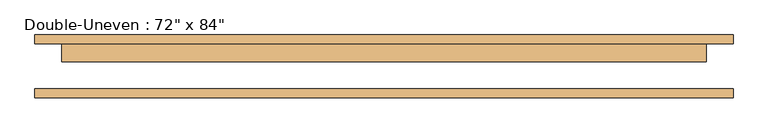
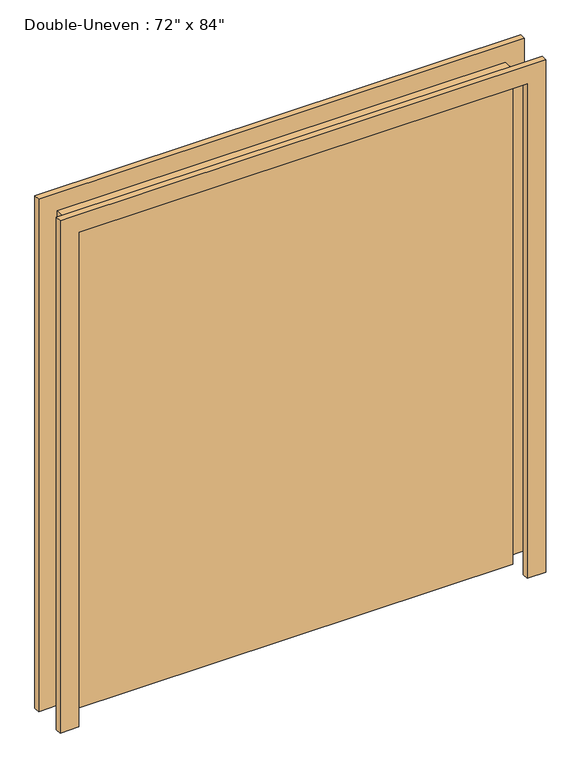
"""IFC4 building model written with IfcOpenShell, lengths in millimetres: door geometry."""

from ifc_helpers import new_model, si_unit, frame, origin, origin_with_axes, place, context, project, spatial, polyline, outline, extrude, source, transform, mapped, element, save


def door_b728dd2d(model_context):
    return source(origin(), model_context, "Body", "SweptSolid", [
        extrude(outline(polyline([(101.6, 63.5), (101.6, 12.7), (-1727.2, 12.7), (-1727.2, 63.5), (101.6, 63.5)])), origin_with_axes(), (0.0, 0.0, 1.0), 2133.6),
        extrude(outline(polyline([(2133.6, -1727.2), (2133.6, 101.6), (0.0, 101.6), (0.0, 177.8), (2209.8, 177.8), (2209.8, -1803.4), (0.0, -1803.4), (0.0, -1727.2), (2133.6, -1727.2)])), frame((0.0, -88.9, 0.0), z_axis=(0.0, 1.0, 0.0), x_axis=(0.0, 0.0, 1.0)), (0.0, 0.0, 1.0), 25.4),
        extrude(outline(polyline([(2133.6, -1727.2), (2133.6, 101.6), (0.0, 101.6), (0.0, 177.8), (2209.8, 177.8), (2209.8, -1803.4), (0.0, -1803.4), (0.0, -1727.2), (2133.6, -1727.2)])), frame((0.0, 63.5, 0.0), z_axis=(0.0, 1.0, 0.0), x_axis=(0.0, 0.0, 1.0)), (0.0, 0.0, 1.0), 25.4),
    ])


if __name__ == "__main__":
    model = new_model("IFC4")
    model_context = context("Model", 3, world=origin())
    ifc_project = project(units=[si_unit("LENGTHUNIT", "METRE", prefix="MILLI")], contexts=[model_context])
    site = spatial("IfcSite", under=ifc_project)
    building = spatial("IfcBuilding", under=site)
    placement = place(None, origin())
    door_shape = door_b728dd2d(model_context)
    element("IfcDoor", 1, ObjectType="Double-Uneven : 72\" x 84\"", at=placement, inside=building, context=model_context, shape_type="MappedRepresentation", body=[
        mapped(door_shape, transform((0.0, 0.0, 0.0), x_axis=(1.0, 0.0, 0.0), y_axis=(0.0, 1.0, 0.0), z_axis=(0.0, 0.0, 1.0))),
    ])
    save(model, "model.ifc")
